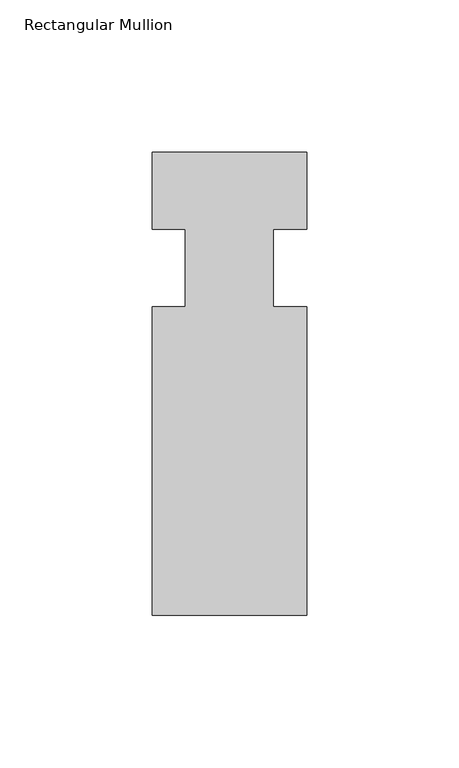
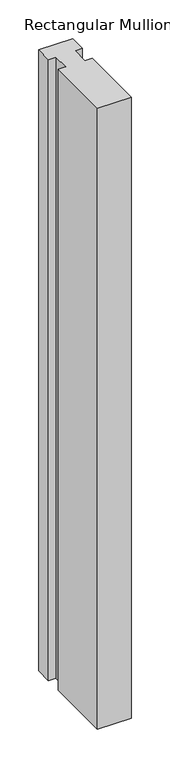
"""IFC4 building model written with IfcOpenShell, lengths in millimetres: member geometry, Rectangular Mullion."""

from ifc_helpers import new_model, si_unit, frame, origin, place, context, project, spatial, polyline, outline, extrude, source, transform, mapped, element, save


def rectangular_mullion_89b601a5(model_context):
    return source(origin(), model_context, "Body", "SweptSolid", [
        extrude(outline(polyline([(-25.4, 0.0), (25.4, 0.0), (25.4, -25.4), (14.398625, -25.4), (14.398625, -50.8), (25.4, -50.8), (25.4, -152.4), (-25.4, -152.4), (-25.4, -50.8), (-14.398625, -50.8), (-14.398625, -25.4), (-25.4, -25.4), (-25.4, 0.0)])), frame((0.0, 0.0, -982.1335236), z_axis=(0.0, 0.0, 1.0), x_axis=(1.0, 0.0, 0.0)), (0.0, 0.0, 1.0), 982.1335236),
    ])


if __name__ == "__main__":
    model = new_model("IFC4")
    model_context = context("Model", 3, world=origin())
    ifc_project = project(units=[si_unit("LENGTHUNIT", "METRE", prefix="MILLI")], contexts=[model_context])
    site = spatial("IfcSite", under=ifc_project)
    building = spatial("IfcBuilding", under=site)
    placement = place(None, origin())
    rectangular_mullion_shape = rectangular_mullion_89b601a5(model_context)
    element("IfcMember", 1, ObjectType="Rectangular Mullion", at=placement, inside=building, context=model_context, shape_type="MappedRepresentation", body=[
        mapped(rectangular_mullion_shape, transform((0.0, 0.0, 0.0), x_axis=(1.0, 0.0, 0.0), y_axis=(0.0, 1.0, 0.0), z_axis=(0.0, 0.0, 1.0))),
    ])
    save(model, "model.ifc")
